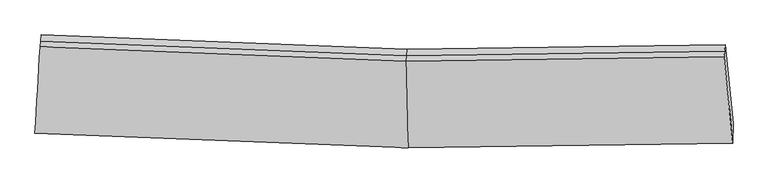
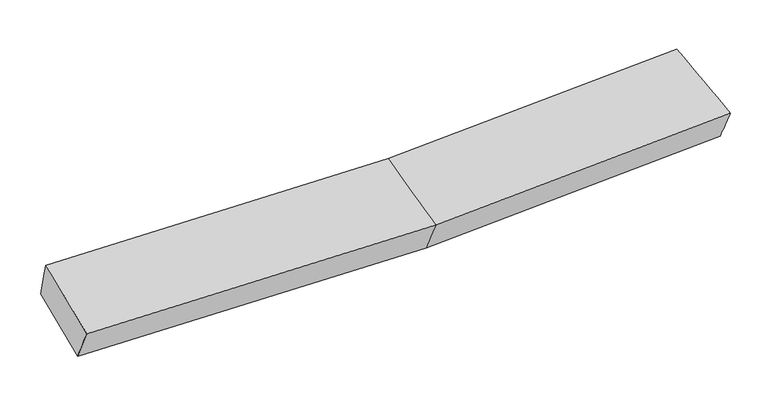
"""IFC4 building model written with IfcOpenShell, lengths in millimetres: proxy geometry."""

from ifc_helpers import new_model, si_unit, frame, origin, place, context, project, spatial, source, transform, mapped, element, save
from ifc_brep_helpers import plane_surface, spline_surface, advanced_brep


def generic_models_16f16426(model_context):
    return source(origin(), model_context, "Body", "AdvancedBrep", [
        advanced_brep(
        [(-3059.2128933, -1964.4799207, 2020.7992727), (-3046.1092405, -1795.4543007, 1690.0673055), (139.5526899, -1920.2644222, 1725.9425455), (132.2615813, -2089.4216244, 2056.7864371), (-3005.615969, -1124.7415411, 1886.2934229), (121.9205197, -1248.23584, 1921.0494171), (-3010.3291796, -1177.8136654, 2068.669779), (117.2073091, -1301.3079643, 2103.4257732), (-3014.6702946, -1226.6958851, 2236.6480017), (112.8661941, -1350.1901841, 2271.403996), (2839.8155346, -1264.0075704, 2211.5933737), (2835.4744196, -1312.8897902, 2379.5715965), (2910.2872836, -2049.2401135, 2167.2246238), (2912.5404398, -1880.344831, 1836.1743152), (2844.5287452, -1210.9354462, 2029.2170176)],
        [
            (0, 1),
            (1, 2),
            (2, 3),
            (3, 0),
            (1, 4),
            (4, 5),
            (5, 1),
            (4, 6),
            (6, 7),
            (7, 5),
            (6, 8),
            (8, 9),
            (9, 7),
            (8, 0),
            (3, 9),
            (10, 11),
            (11, 12),
            (12, 13),
            (13, 14),
            (14, 10),
            (5, 2),
            (9, 11),
            (10, 7),
            (3, 12),
            (2, 13),
            (5, 14),
        ],
        [
            spline_surface(1, 1, [[(-3059.2128933, -1964.4799207, 2020.7992727), (132.2615813, -2089.4216244, 2056.7864371)], [(-3046.1092405, -1795.4543007, 1690.0673055), (139.5526899, -1920.2644222, 1725.9425455)]], [2, 2], [2, 2], [0.0, 1.0], [0.0, 1.0]),
            plane_surface(frame((-3025.8626048, -1460.0979209, 1788.1803642), z_axis=(0.021704365024296665, 0.27951981244065005, -0.959894574936246), x_axis=(0.05784753069031635, 0.9581610850859061, 0.28032302477683113))),
            plane_surface(frame((-3007.9725743, -1151.2776033, 1977.4816009), z_axis=(0.03476856341698402, 0.959349078819422, 0.2800722977487166), x_axis=(-0.024806371503474586, -0.27932696995780537, 0.959875558490278))),
            plane_surface(frame((-3012.4997371, -1202.2547753, 2152.6588904), z_axis=(0.03476856341698504, 0.9593490788194347, 0.28007229774867326), x_axis=(-0.02480637150352031, -0.2793269699577602, 0.9598755584902899))),
            spline_surface(1, 1, [[(-3014.6702946, -1226.6958851, 2236.6480017), (112.8661941, -1350.1901841, 2271.403996)], [(-3059.2128933, -1964.4799207, 2020.7992727), (132.2615813, -2089.4216244, 2056.7864371)]], [2, 2], [2, 2], [0.0, 1.0], [0.0, 1.0]),
            plane_surface(frame((2875.707722, -1613.3525452, 2103.0468883), z_axis=(0.9949596288877194, 0.08642010618658146, 0.05086159779550632), x_axis=(-0.02480637150347343, -0.2793269699577373, 0.9598755584902978))),
            plane_surface(frame((-3031.4020994, -1527.8429119, 1958.4520007), z_axis=(-0.9980171877908037, 0.06248022792224199, -0.007610124369569638), x_axis=(0.05784753069030892, 0.9581610850859045, 0.2803230247768383))),
            plane_surface(frame((-3046.1092405, -1795.4543007, 1690.0673055), z_axis=(0.021752174098376195, 0.27927290699973156, -0.9599653568425859), x_axis=(-0.025188814642389385, 0.9600408316155716, 0.27872410238045975))),
            plane_surface(frame((115.0367516, -1325.7490742, 2187.4148846), z_axis=(-0.024227729809505275, 0.9600569900240867, 0.27875364215408605), x_axis=(-0.024806371503518946, -0.27932696995776163, 0.9598755584902895))),
            spline_surface(1, 1, [[(112.8661941, -1350.1901841, 2271.403996), (2835.4744196, -1312.8897902, 2379.5715965)], [(132.2615813, -2089.4216244, 2056.7864371), (2910.2872836, -2049.2401135, 2167.2246238)]], [2, 2], [2, 2], [0.0, 1.0], [0.0, 1.0]),
            spline_surface(1, 1, [[(132.2615813, -2089.4216244, 2056.7864371), (2910.2872836, -2049.2401135, 2167.2246238)], [(139.5526899, -1920.2644222, 1725.9425455), (2912.5404398, -1880.344831, 1836.1743152)]], [2, 2], [2, 2], [0.0, 1.0], [0.0, 1.0]),
            spline_surface(1, 1, [[(139.5526899, -1920.2644222, 1725.9425455), (2912.5404398, -1880.344831, 1836.1743152)], [(121.9205197, -1248.23584, 1921.0494171), (2844.5287452, -1210.9354462, 2029.2170176)]], [2, 2], [2, 2], [0.0, 1.0], [0.0, 1.0]),
            plane_surface(frame((119.5639144, -1274.7719022, 2012.2375952), z_axis=(-0.024227729809500352, 0.9600569900241, 0.2787536421540409), x_axis=(-0.0248063715034315, -0.2793269699577149, 0.9598755584903054))),
        ],
        [
            (0, [[1, 2, 3, 4]]),
            (1, [[5, 6, 7]]),
            (2, [[8, 9, 10, -6]]),
            (3, [[11, 12, 13, -9]]),
            (4, [[14, -4, 15, -12]]),
            (5, [[16, 17, 18, 19, 20]]),
            (6, [[-14, -11, -8, -5, -1]]),
            (7, [[21, -2, -7]]),
            (8, [[-13, 22, -16, 23]]),
            (9, [[-15, 24, -17, -22]]),
            (10, [[-3, 25, -18, -24]]),
            (11, [[-21, 26, -19, -25]]),
            (12, [[-10, -23, -20, -26]]),
        ],
    ),
    ])


if __name__ == "__main__":
    model = new_model("IFC4")
    model_context = context("Model", 3, world=origin())
    ifc_project = project(units=[si_unit("LENGTHUNIT", "METRE", prefix="MILLI")], contexts=[model_context])
    site = spatial("IfcSite", under=ifc_project)
    building = spatial("IfcBuilding", under=site)
    placement = place(None, origin())
    generic_models_shape = generic_models_16f16426(model_context)
    element("IfcBuildingElementProxy", 1, Name="Generic Models", at=placement, inside=building, context=model_context, shape_type="MappedRepresentation", body=[
        mapped(generic_models_shape, transform((0.0, 0.0, 0.0), x_axis=(1.0, 0.0, 0.0), y_axis=(0.0, 1.0, 0.0), z_axis=(0.0, 0.0, 1.0))),
    ])
    save(model, "model.ifc")
